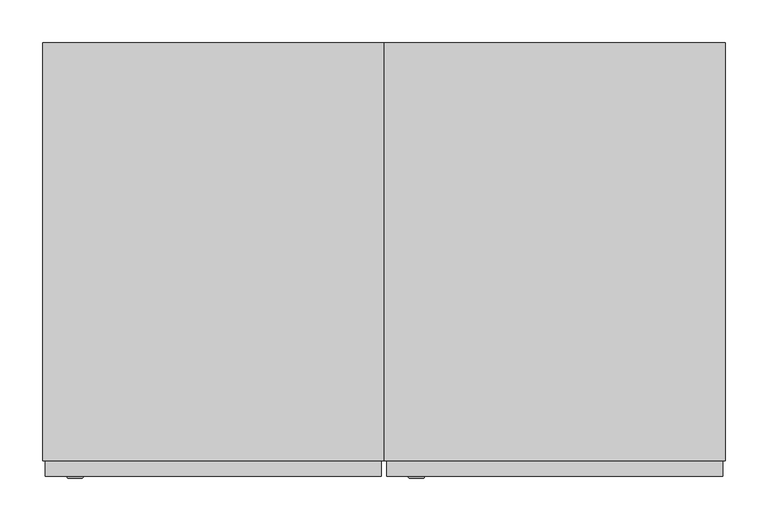
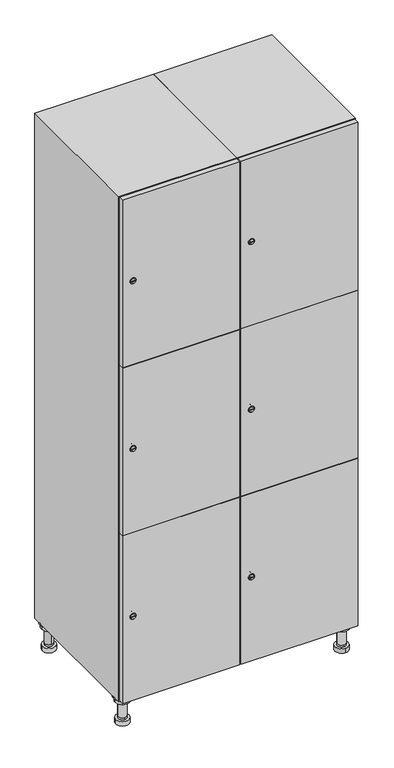
"""IFC4 building model written with IfcOpenShell, lengths in millimetres: furniture geometry."""

from ifc_helpers import new_model, si_unit, point, frame, frame_2d, origin, place, context, project, spatial, polyline, circle_curve, trimmed, segment, composite_curve, outline, extrude, faceted_brep, source, transform, mapped, element, save
from ifc_brep_helpers import plane_surface, cylinder_surface, revolved_surface, advanced_brep


def furniture_b4011efb(model_context):
    return source(origin(), model_context, "Body", "SolidModel", [
        advanced_brep(
        [(570.0, -201.0, 22.0), (570.0, -201.5, 16.0), (570.0, -228.5, 16.0), (570.0, -229.0, 22.0), (556.0, -215.0, 22.0), (584.0, -215.0, 22.0), (570.0, -192.5, 16.0), (570.0, -237.5, 16.0), (570.0, -192.5, 0.0), (570.0, -237.5, 0.0), (584.0, -215.0, 78.0), (556.0, -215.0, 78.0), (595.0, -215.0, 78.0), (545.0, -215.0, 78.0), (600.0, -215.0, 94.0), (540.0, -215.0, 94.0), (545.0, -215.0, 94.0), (595.0, -215.0, 94.0), (600.0, -215.0, 100.0), (540.0, -215.0, 100.0)],
        [
            (0, 1),
            (1, 2, circle_curve(frame((570.0, -215.0, 16.0), z_axis=(0.0, 0.0, 1.0), x_axis=(0.0, -1.0, 0.0)), 13.5)),
            (2, 3),
            (3, 4, circle_curve(frame((570.0, -215.0, 22.0), z_axis=(0.0, 0.0, -1.0), x_axis=(0.0, -1.0, 0.0)), 14.0)),
            (4, 0, circle_curve(frame((570.0, -215.0, 22.0), z_axis=(0.0, 0.0, -1.0), x_axis=(0.0, -1.0, 0.0)), 14.0)),
            (0, 5, circle_curve(frame((570.0, -215.0, 22.0), z_axis=(0.0, 0.0, -1.0), x_axis=(0.0, 1.0, 0.0)), 14.0)),
            (5, 3, circle_curve(frame((570.0, -215.0, 22.0), z_axis=(0.0, 0.0, -1.0), x_axis=(0.0, 1.0, 0.0)), 14.0)),
            (2, 1, circle_curve(frame((570.0, -215.0, 16.0), z_axis=(0.0, 0.0, 1.0), x_axis=(0.0, 1.0, 0.0)), 13.5)),
            (6, 7, circle_curve(frame((570.0, -215.0, 16.0), z_axis=(0.0, 0.0, 1.0), x_axis=(0.0, -1.0, 0.0)), 22.5)),
            (7, 6, circle_curve(frame((570.0, -215.0, 16.0), z_axis=(0.0, 0.0, 1.0), x_axis=(0.0, -1.0, 0.0)), 22.5)),
            (8, 9, circle_curve(frame((570.0, -215.0, 0.0), z_axis=(0.0, 0.0, -1.0), x_axis=(0.0, -1.0, 0.0)), 22.5)),
            (9, 8, circle_curve(frame((570.0, -215.0, 0.0), z_axis=(0.0, 0.0, -1.0), x_axis=(0.0, -1.0, 0.0)), 22.5)),
            (6, 8),
            (9, 7),
            (5, 10),
            (10, 11, circle_curve(frame((570.0, -215.0, 78.0), z_axis=(0.0, 0.0, -1.0), x_axis=(-1.0, 0.0, 0.0)), 14.0)),
            (11, 4),
            (11, 10, circle_curve(frame((570.0, -215.0, 78.0), z_axis=(0.0, 0.0, -1.0), x_axis=(-1.0, 0.0, 0.0)), 14.0)),
            (12, 13, circle_curve(frame((570.0, -215.0, 78.0), z_axis=(0.0, 0.0, -1.0), x_axis=(-1.0, 0.0, 0.0)), 25.0)),
            (13, 12, circle_curve(frame((570.0, -215.0, 78.0), z_axis=(0.0, 0.0, -1.0), x_axis=(-1.0, 0.0, 0.0)), 25.0)),
            (14, 15, circle_curve(frame((570.0, -215.0, 94.0), z_axis=(0.0, 0.0, -1.0), x_axis=(-1.0, 0.0, 0.0)), 30.0)),
            (15, 14, circle_curve(frame((570.0, -215.0, 94.0), z_axis=(0.0, 0.0, -1.0), x_axis=(-1.0, 0.0, 0.0)), 30.0)),
            (16, 17, circle_curve(frame((570.0, -215.0, 94.0), z_axis=(0.0, 0.0, 1.0), x_axis=(-1.0, 0.0, 0.0)), 25.0)),
            (17, 16, circle_curve(frame((570.0, -215.0, 94.0), z_axis=(0.0, 0.0, 1.0), x_axis=(-1.0, 0.0, 0.0)), 25.0)),
            (18, 19, circle_curve(frame((570.0, -215.0, 100.0), z_axis=(0.0, 0.0, 1.0), x_axis=(-1.0, 0.0, 0.0)), 30.0)),
            (19, 18, circle_curve(frame((570.0, -215.0, 100.0), z_axis=(0.0, 0.0, 1.0), x_axis=(-1.0, 0.0, 0.0)), 30.0)),
            (14, 18),
            (19, 15),
            (12, 17),
            (16, 13),
        ],
        [
            revolved_surface(polyline([(570.0, -201.5, 16.0), (570.0, -201.0, 22.0)]), (570.0, -215.0, -146.0), (0.0, 0.0, 1.0)),
            plane_surface(frame((570.0, 0.0, 16.0), z_axis=(0.0, 0.0, 1.0), x_axis=(0.0, -1.0, 0.0))),
            plane_surface(frame((570.0, 0.0, 0.0), z_axis=(0.0, 0.0, -1.0), x_axis=(0.0, -1.0, 0.0))),
            cylinder_surface(frame((570.0, -215.0, 16.0), z_axis=(0.0, 0.0, 1.0), x_axis=(0.0, -1.0, 0.0)), 22.5),
            cylinder_surface(frame((570.0, -215.0, 22.0), z_axis=(0.0, 0.0, -1.0), x_axis=(-1.0, 0.0, 0.0)), 14.0),
            plane_surface(frame((570.0, 0.0, 78.0), z_axis=(0.0, 0.0, -1.0), x_axis=(0.0, -1.0, 0.0))),
            plane_surface(frame((570.0, 0.0, 94.0), z_axis=(0.0, 0.0, -1.0), x_axis=(0.0, -1.0, 0.0))),
            plane_surface(frame((570.0, 0.0, 100.0), z_axis=(0.0, 0.0, 1.0), x_axis=(0.0, -1.0, 0.0))),
            cylinder_surface(frame((570.0, -215.0, 94.0), z_axis=(0.0, 0.0, -1.0), x_axis=(-1.0, 0.0, 0.0)), 30.0),
            cylinder_surface(frame((570.0, -215.0, 78.0), z_axis=(0.0, 0.0, -1.0), x_axis=(-1.0, 0.0, 0.0)), 25.0),
        ],
        [
            (0, [[1, 2, 3, 4, 5]]),
            (0, [[-1, 6, 7, -3, 8]]),
            (1, [[9, 10], [-2, -8]]),
            (2, [[11, 12]]),
            (3, [[-9, 13, -12, 14]]),
            (3, [[-10, -14, -11, -13]]),
            (4, [[15, 16, 17, -4, -7]]),
            (4, [[-15, -6, -5, -17, 18]]),
            (5, [[19, 20], [-16, -18]]),
            (6, [[21, 22], [23, 24]]),
            (7, [[25, 26]]),
            (8, [[-21, 27, -26, 28]]),
            (8, [[-22, -28, -25, -27]]),
            (9, [[-19, 29, -23, 30]]),
            (9, [[-20, -30, -24, -29]]),
        ],
    ),
        advanced_brep(
        [(-170.0, -201.0, 22.0), (-170.0, -201.5, 16.0), (-170.0, -228.5, 16.0), (-170.0, -229.0, 22.0), (-184.0, -215.0, 22.0), (-156.0, -215.0, 22.0), (-147.5, -215.0, 0.0), (-192.5, -215.0, 0.0), (-147.5, -215.0, 16.0), (-192.5, -215.0, 16.0), (-156.0, -215.0, 78.0), (-184.0, -215.0, 78.0), (-145.0, -215.0, 78.0), (-195.0, -215.0, 78.0), (-140.0, -215.0, 94.0), (-200.0, -215.0, 94.0), (-195.0, -215.0, 94.0), (-145.0, -215.0, 94.0), (-140.0, -215.0, 100.0), (-200.0, -215.0, 100.0)],
        [
            (0, 1),
            (1, 2, circle_curve(frame((-170.0, -215.0, 16.0), z_axis=(0.0, 0.0, 1.0), x_axis=(0.0, -1.0, 0.0)), 13.5)),
            (2, 3),
            (3, 4, circle_curve(frame((-170.0, -215.0, 22.0), z_axis=(0.0, 0.0, -1.0), x_axis=(0.0, -1.0, 0.0)), 14.0)),
            (4, 0, circle_curve(frame((-170.0, -215.0, 22.0), z_axis=(0.0, 0.0, -1.0), x_axis=(0.0, -1.0, 0.0)), 14.0)),
            (0, 5, circle_curve(frame((-170.0, -215.0, 22.0), z_axis=(0.0, 0.0, -1.0), x_axis=(0.0, 1.0, 0.0)), 14.0)),
            (5, 3, circle_curve(frame((-170.0, -215.0, 22.0), z_axis=(0.0, 0.0, -1.0), x_axis=(0.0, 1.0, 0.0)), 14.0)),
            (2, 1, circle_curve(frame((-170.0, -215.0, 16.0), z_axis=(0.0, 0.0, 1.0), x_axis=(0.0, 1.0, 0.0)), 13.5)),
            (6, 7, circle_curve(frame((-170.0, -215.0, 0.0), z_axis=(0.0, 0.0, -1.0), x_axis=(-1.0, 0.0, 0.0)), 22.5)),
            (7, 6, circle_curve(frame((-170.0, -215.0, 0.0), z_axis=(0.0, 0.0, -1.0), x_axis=(-1.0, 0.0, 0.0)), 22.5)),
            (8, 9, circle_curve(frame((-170.0, -215.0, 16.0), z_axis=(0.0, 0.0, 1.0), x_axis=(-1.0, 0.0, 0.0)), 22.5)),
            (9, 8, circle_curve(frame((-170.0, -215.0, 16.0), z_axis=(0.0, 0.0, 1.0), x_axis=(-1.0, 0.0, 0.0)), 22.5)),
            (6, 8),
            (9, 7),
            (5, 10),
            (10, 11, circle_curve(frame((-170.0, -215.0, 78.0), z_axis=(0.0, 0.0, -1.0), x_axis=(-1.0, 0.0, 0.0)), 14.0)),
            (11, 4),
            (11, 10, circle_curve(frame((-170.0, -215.0, 78.0), z_axis=(0.0, 0.0, -1.0), x_axis=(-1.0, 0.0, 0.0)), 14.0)),
            (12, 13, circle_curve(frame((-170.0, -215.0, 78.0), z_axis=(0.0, 0.0, -1.0), x_axis=(-1.0, 0.0, 0.0)), 25.0)),
            (13, 12, circle_curve(frame((-170.0, -215.0, 78.0), z_axis=(0.0, 0.0, -1.0), x_axis=(-1.0, 0.0, 0.0)), 25.0)),
            (14, 15, circle_curve(frame((-170.0, -215.0, 94.0), z_axis=(0.0, 0.0, -1.0), x_axis=(-1.0, 0.0, 0.0)), 30.0)),
            (15, 14, circle_curve(frame((-170.0, -215.0, 94.0), z_axis=(0.0, 0.0, -1.0), x_axis=(-1.0, 0.0, 0.0)), 30.0)),
            (16, 17, circle_curve(frame((-170.0, -215.0, 94.0), z_axis=(0.0, 0.0, 1.0), x_axis=(-1.0, 0.0, 0.0)), 25.0)),
            (17, 16, circle_curve(frame((-170.0, -215.0, 94.0), z_axis=(0.0, 0.0, 1.0), x_axis=(-1.0, 0.0, 0.0)), 25.0)),
            (18, 19, circle_curve(frame((-170.0, -215.0, 100.0), z_axis=(0.0, 0.0, 1.0), x_axis=(-1.0, 0.0, 0.0)), 30.0)),
            (19, 18, circle_curve(frame((-170.0, -215.0, 100.0), z_axis=(0.0, 0.0, 1.0), x_axis=(-1.0, 0.0, 0.0)), 30.0)),
            (14, 18),
            (19, 15),
            (12, 17),
            (16, 13),
        ],
        [
            revolved_surface(polyline([(-170.0, -201.5, 16.0), (-170.0, -201.0, 22.0)]), (-170.0, -215.0, -146.0), (0.0, 0.0, 1.0)),
            plane_surface(frame((-170.0, 0.0, 0.0), z_axis=(0.0, 0.0, -1.0), x_axis=(0.0, -1.0, 0.0))),
            plane_surface(frame((-170.0, 0.0, 16.0), z_axis=(0.0, 0.0, 1.0), x_axis=(0.0, -1.0, 0.0))),
            cylinder_surface(frame((-170.0, -215.0, 0.0), z_axis=(0.0, 0.0, -1.0), x_axis=(-1.0, 0.0, 0.0)), 22.5),
            cylinder_surface(frame((-170.0, -215.0, 22.0), z_axis=(0.0, 0.0, -1.0), x_axis=(-1.0, 0.0, 0.0)), 14.0),
            plane_surface(frame((-170.0, 0.0, 78.0), z_axis=(0.0, 0.0, -1.0), x_axis=(0.0, -1.0, 0.0))),
            plane_surface(frame((-170.0, 0.0, 94.0), z_axis=(0.0, 0.0, -1.0), x_axis=(0.0, -1.0, 0.0))),
            plane_surface(frame((-170.0, 0.0, 100.0), z_axis=(0.0, 0.0, 1.0), x_axis=(0.0, -1.0, 0.0))),
            cylinder_surface(frame((-170.0, -215.0, 94.0), z_axis=(0.0, 0.0, -1.0), x_axis=(-1.0, 0.0, 0.0)), 30.0),
            cylinder_surface(frame((-170.0, -215.0, 78.0), z_axis=(0.0, 0.0, -1.0), x_axis=(-1.0, 0.0, 0.0)), 25.0),
        ],
        [
            (0, [[1, 2, 3, 4, 5]]),
            (0, [[-1, 6, 7, -3, 8]]),
            (1, [[9, 10]]),
            (2, [[11, 12], [-2, -8]]),
            (3, [[-9, 13, -12, 14]]),
            (3, [[-10, -14, -11, -13]]),
            (4, [[15, 16, 17, -4, -7]]),
            (4, [[-15, -6, -5, -17, 18]]),
            (5, [[19, 20], [-16, -18]]),
            (6, [[21, 22], [23, 24]]),
            (7, [[25, 26]]),
            (8, [[-21, 27, -26, 28]]),
            (8, [[-22, -28, -25, -27]]),
            (9, [[-19, 29, -23, 30]]),
            (9, [[-20, -30, -24, -29]]),
        ],
    ),
        advanced_brep(
        [(583.5, 215.0, 16.0), (584.0, 215.0, 22.0), (556.0, 215.0, 22.0), (556.5, 215.0, 16.0), (592.5, 215.0, 0.0), (547.5, 215.0, 0.0), (592.5, 215.0, 16.0), (547.5, 215.0, 16.0), (584.0, 215.0, 78.0), (556.0, 215.0, 78.0), (595.0, 215.0, 78.0), (545.0, 215.0, 78.0), (600.0, 215.0, 94.0), (540.0, 215.0, 94.0), (545.0, 215.0, 94.0), (595.0, 215.0, 94.0), (600.0, 215.0, 100.0), (540.0, 215.0, 100.0)],
        [
            (0, 1),
            (1, 2, circle_curve(frame((570.0, 215.0, 22.0), z_axis=(0.0, 0.0, -1.0), x_axis=(-1.0, 0.0, 0.0)), 14.0)),
            (2, 3),
            (3, 0, circle_curve(frame((570.0, 215.0, 16.0), z_axis=(0.0, 0.0, 1.0), x_axis=(-1.0, 0.0, 0.0)), 13.5)),
            (0, 3, circle_curve(frame((570.0, 215.0, 16.0), z_axis=(0.0, 0.0, 1.0), x_axis=(1.0, 0.0, 0.0)), 13.5)),
            (2, 1, circle_curve(frame((570.0, 215.0, 22.0), z_axis=(0.0, 0.0, -1.0), x_axis=(1.0, 0.0, 0.0)), 14.0)),
            (4, 5, circle_curve(frame((570.0, 215.0, 0.0), z_axis=(0.0, 0.0, -1.0), x_axis=(-1.0, 0.0, 0.0)), 22.5)),
            (5, 4, circle_curve(frame((570.0, 215.0, 0.0), z_axis=(0.0, 0.0, -1.0), x_axis=(-1.0, 0.0, 0.0)), 22.5)),
            (6, 7, circle_curve(frame((570.0, 215.0, 16.0), z_axis=(0.0, 0.0, 1.0), x_axis=(-1.0, 0.0, 0.0)), 22.5)),
            (7, 6, circle_curve(frame((570.0, 215.0, 16.0), z_axis=(0.0, 0.0, 1.0), x_axis=(-1.0, 0.0, 0.0)), 22.5)),
            (4, 6),
            (7, 5),
            (1, 8),
            (8, 9, circle_curve(frame((570.0, 215.0, 78.0), z_axis=(0.0, 0.0, -1.0), x_axis=(-1.0, 0.0, 0.0)), 14.0)),
            (9, 2),
            (9, 8, circle_curve(frame((570.0, 215.0, 78.0), z_axis=(0.0, 0.0, -1.0), x_axis=(-1.0, 0.0, 0.0)), 14.0)),
            (10, 11, circle_curve(frame((570.0, 215.0, 78.0), z_axis=(0.0, 0.0, -1.0), x_axis=(-1.0, 0.0, 0.0)), 25.0)),
            (11, 10, circle_curve(frame((570.0, 215.0, 78.0), z_axis=(0.0, 0.0, -1.0), x_axis=(-1.0, 0.0, 0.0)), 25.0)),
            (12, 13, circle_curve(frame((570.0, 215.0, 94.0), z_axis=(0.0, 0.0, -1.0), x_axis=(-1.0, 0.0, 0.0)), 30.0)),
            (13, 12, circle_curve(frame((570.0, 215.0, 94.0), z_axis=(0.0, 0.0, -1.0), x_axis=(-1.0, 0.0, 0.0)), 30.0)),
            (14, 15, circle_curve(frame((570.0, 215.0, 94.0), z_axis=(0.0, 0.0, 1.0), x_axis=(-1.0, 0.0, 0.0)), 25.0)),
            (15, 14, circle_curve(frame((570.0, 215.0, 94.0), z_axis=(0.0, 0.0, 1.0), x_axis=(-1.0, 0.0, 0.0)), 25.0)),
            (16, 17, circle_curve(frame((570.0, 215.0, 100.0), z_axis=(0.0, 0.0, 1.0), x_axis=(-1.0, 0.0, 0.0)), 30.0)),
            (17, 16, circle_curve(frame((570.0, 215.0, 100.0), z_axis=(0.0, 0.0, 1.0), x_axis=(-1.0, 0.0, 0.0)), 30.0)),
            (12, 16),
            (17, 13),
            (10, 15),
            (14, 11),
        ],
        [
            revolved_surface(polyline([(583.5, 215.0, 16.0), (584.0, 215.0, 22.0)]), (570.0, 215.0, -146.0), (0.0, 0.0, 1.0)),
            plane_surface(frame((570.0, 0.0, 0.0), z_axis=(0.0, 0.0, -1.0), x_axis=(0.0, -1.0, 0.0))),
            plane_surface(frame((570.0, 0.0, 16.0), z_axis=(0.0, 0.0, 1.0), x_axis=(0.0, -1.0, 0.0))),
            cylinder_surface(frame((570.0, 215.0, 0.0), z_axis=(0.0, 0.0, -1.0), x_axis=(-1.0, 0.0, 0.0)), 22.5),
            cylinder_surface(frame((570.0, 215.0, 22.0), z_axis=(0.0, 0.0, -1.0), x_axis=(-1.0, 0.0, 0.0)), 14.0),
            plane_surface(frame((570.0, 0.0, 78.0), z_axis=(0.0, 0.0, -1.0), x_axis=(0.0, -1.0, 0.0))),
            plane_surface(frame((570.0, 0.0, 94.0), z_axis=(0.0, 0.0, -1.0), x_axis=(0.0, -1.0, 0.0))),
            plane_surface(frame((570.0, 0.0, 100.0), z_axis=(0.0, 0.0, 1.0), x_axis=(0.0, -1.0, 0.0))),
            cylinder_surface(frame((570.0, 215.0, 94.0), z_axis=(0.0, 0.0, -1.0), x_axis=(-1.0, 0.0, 0.0)), 30.0),
            cylinder_surface(frame((570.0, 215.0, 78.0), z_axis=(0.0, 0.0, -1.0), x_axis=(-1.0, 0.0, 0.0)), 25.0),
        ],
        [
            (0, [[1, 2, 3, 4]]),
            (0, [[-1, 5, -3, 6]]),
            (1, [[7, 8]]),
            (2, [[9, 10], [-4, -5]]),
            (3, [[-7, 11, -10, 12]]),
            (3, [[-8, -12, -9, -11]]),
            (4, [[13, 14, 15, -2]]),
            (4, [[-13, -6, -15, 16]]),
            (5, [[17, 18], [-14, -16]]),
            (6, [[19, 20], [21, 22]]),
            (7, [[23, 24]]),
            (8, [[-19, 25, -24, 26]]),
            (8, [[-20, -26, -23, -25]]),
            (9, [[-17, 27, -21, 28]]),
            (9, [[-18, -28, -22, -27]]),
        ],
    ),
        advanced_brep(
        [(-156.5, 215.0, 16.0), (-156.0, 215.0, 22.0), (-170.0, 201.0, 22.0), (-184.0, 215.0, 22.0), (-183.5, 215.0, 16.0), (-170.0, 229.0, 22.0), (-147.5, 215.0, 0.0), (-192.5, 215.0, 0.0), (-147.5, 215.0, 16.0), (-192.5, 215.0, 16.0), (-170.0, 229.0, 78.0), (-170.0, 201.0, 78.0), (-145.0, 215.0, 78.0), (-195.0, 215.0, 78.0), (-140.0, 215.0, 94.0), (-200.0, 215.0, 94.0), (-195.0, 215.0, 94.0), (-145.0, 215.0, 94.0), (-140.0, 215.0, 100.0), (-200.0, 215.0, 100.0)],
        [
            (0, 1),
            (1, 2, circle_curve(frame((-170.0, 215.0, 22.0), z_axis=(0.0, 0.0, -1.0), x_axis=(-1.0, 0.0, 0.0)), 14.0)),
            (2, 3, circle_curve(frame((-170.0, 215.0, 22.0), z_axis=(0.0, 0.0, -1.0), x_axis=(-1.0, 0.0, 0.0)), 14.0)),
            (3, 4),
            (4, 0, circle_curve(frame((-170.0, 215.0, 16.0), z_axis=(0.0, 0.0, 1.0), x_axis=(-1.0, 0.0, 0.0)), 13.5)),
            (0, 4, circle_curve(frame((-170.0, 215.0, 16.0), z_axis=(0.0, 0.0, 1.0), x_axis=(1.0, 0.0, 0.0)), 13.5)),
            (3, 5, circle_curve(frame((-170.0, 215.0, 22.0), z_axis=(0.0, 0.0, -1.0), x_axis=(1.0, 0.0, 0.0)), 14.0)),
            (5, 1, circle_curve(frame((-170.0, 215.0, 22.0), z_axis=(0.0, 0.0, -1.0), x_axis=(1.0, 0.0, 0.0)), 14.0)),
            (6, 7, circle_curve(frame((-170.0, 215.0, 0.0), z_axis=(0.0, 0.0, -1.0), x_axis=(-1.0, 0.0, 0.0)), 22.5)),
            (7, 6, circle_curve(frame((-170.0, 215.0, 0.0), z_axis=(0.0, 0.0, -1.0), x_axis=(-1.0, 0.0, 0.0)), 22.5)),
            (8, 9, circle_curve(frame((-170.0, 215.0, 16.0), z_axis=(0.0, 0.0, 1.0), x_axis=(-1.0, 0.0, 0.0)), 22.5)),
            (9, 8, circle_curve(frame((-170.0, 215.0, 16.0), z_axis=(0.0, 0.0, 1.0), x_axis=(-1.0, 0.0, 0.0)), 22.5)),
            (6, 8),
            (9, 7),
            (10, 5),
            (2, 11),
            (11, 10, circle_curve(frame((-170.0, 215.0, 78.0), z_axis=(0.0, 0.0, -1.0), x_axis=(0.0, -1.0, 0.0)), 14.0)),
            (10, 11, circle_curve(frame((-170.0, 215.0, 78.0), z_axis=(0.0, 0.0, -1.0), x_axis=(0.0, -1.0, 0.0)), 14.0)),
            (12, 13, circle_curve(frame((-170.0, 215.0, 78.0), z_axis=(0.0, 0.0, -1.0), x_axis=(-1.0, 0.0, 0.0)), 25.0)),
            (13, 12, circle_curve(frame((-170.0, 215.0, 78.0), z_axis=(0.0, 0.0, -1.0), x_axis=(-1.0, 0.0, 0.0)), 25.0)),
            (14, 15, circle_curve(frame((-170.0, 215.0, 94.0), z_axis=(0.0, 0.0, -1.0), x_axis=(-1.0, 0.0, 0.0)), 30.0)),
            (15, 14, circle_curve(frame((-170.0, 215.0, 94.0), z_axis=(0.0, 0.0, -1.0), x_axis=(-1.0, 0.0, 0.0)), 30.0)),
            (16, 17, circle_curve(frame((-170.0, 215.0, 94.0), z_axis=(0.0, 0.0, 1.0), x_axis=(-1.0, 0.0, 0.0)), 25.0)),
            (17, 16, circle_curve(frame((-170.0, 215.0, 94.0), z_axis=(0.0, 0.0, 1.0), x_axis=(-1.0, 0.0, 0.0)), 25.0)),
            (18, 19, circle_curve(frame((-170.0, 215.0, 100.0), z_axis=(0.0, 0.0, 1.0), x_axis=(-1.0, 0.0, 0.0)), 30.0)),
            (19, 18, circle_curve(frame((-170.0, 215.0, 100.0), z_axis=(0.0, 0.0, 1.0), x_axis=(-1.0, 0.0, 0.0)), 30.0)),
            (14, 18),
            (19, 15),
            (12, 17),
            (16, 13),
        ],
        [
            revolved_surface(polyline([(-156.5, 215.0, 16.0), (-156.0, 215.0, 22.0)]), (-170.0, 215.0, -146.0), (0.0, 0.0, 1.0)),
            plane_surface(frame((-170.0, 0.0, 0.0), z_axis=(0.0, 0.0, -1.0), x_axis=(0.0, -1.0, 0.0))),
            plane_surface(frame((-170.0, 0.0, 16.0), z_axis=(0.0, 0.0, 1.0), x_axis=(0.0, -1.0, 0.0))),
            cylinder_surface(frame((-170.0, 215.0, 0.0), z_axis=(0.0, 0.0, -1.0), x_axis=(-1.0, 0.0, 0.0)), 22.5),
            cylinder_surface(frame((-170.0, 215.0, 78.0), z_axis=(0.0, 0.0, 1.0), x_axis=(0.0, -1.0, 0.0)), 14.0),
            plane_surface(frame((-170.0, 0.0, 78.0), z_axis=(0.0, 0.0, -1.0), x_axis=(0.0, -1.0, 0.0))),
            plane_surface(frame((-170.0, 0.0, 94.0), z_axis=(0.0, 0.0, -1.0), x_axis=(0.0, -1.0, 0.0))),
            plane_surface(frame((-170.0, 0.0, 100.0), z_axis=(0.0, 0.0, 1.0), x_axis=(0.0, -1.0, 0.0))),
            cylinder_surface(frame((-170.0, 215.0, 94.0), z_axis=(0.0, 0.0, -1.0), x_axis=(-1.0, 0.0, 0.0)), 30.0),
            cylinder_surface(frame((-170.0, 215.0, 78.0), z_axis=(0.0, 0.0, -1.0), x_axis=(-1.0, 0.0, 0.0)), 25.0),
        ],
        [
            (0, [[1, 2, 3, 4, 5]]),
            (0, [[-1, 6, -4, 7, 8]]),
            (1, [[9, 10]]),
            (2, [[11, 12], [-5, -6]]),
            (3, [[-9, 13, -12, 14]]),
            (3, [[-10, -14, -11, -13]]),
            (4, [[15, -7, -3, 16, 17]]),
            (4, [[-15, 18, -16, -2, -8]]),
            (5, [[19, 20], [-17, -18]]),
            (6, [[21, 22], [23, 24]]),
            (7, [[25, 26]]),
            (8, [[-21, 27, -26, 28]]),
            (8, [[-22, -28, -25, -27]]),
            (9, [[-19, 29, -23, 30]]),
            (9, [[-20, -30, -24, -29]]),
        ],
    ),
        extrude(outline(composite_curve([segment(trimmed(circle_curve(frame_2d((402.0, 211.2010534)), 7.0), [point((409.0, 211.2010534))], [point((395.0, 211.2010534))], False, "CARTESIAN"), True, "CONTINUOUS"), segment(polyline([(395.0, 211.2010534), (395.0, 239.2010534)]), True, "CONTINUOUS"), segment(trimmed(circle_curve(frame_2d((402.0, 239.2010534)), 7.0), [point((395.0, 239.2010534))], [point((409.0, 239.2010534))], False, "CARTESIAN"), True, "CONTINUOUS"), segment(polyline([(409.0, 239.2010534), (409.0, 211.2010534)]), True, "CONTINUOUS")], self_intersect=False)), frame((0.0, -245.0, 0.0), z_axis=(0.0, 1.0, 0.0), x_axis=(0.0, 0.0, 1.0)), (0.0, 0.0, 1.0), 2.0),
        advanced_brep(
        [(246.5, -265.2, 402.0), (229.5, -265.2, 402.0), (233.0, -265.2, 400.75), (233.0, -265.2, 403.25), (243.0, -265.2, 403.25), (243.0, -265.2, 400.75), (248.5, -263.0, 402.0), (227.5, -263.0, 402.0), (233.0, -263.0, 403.25), (233.0, -263.0, 400.75), (243.0, -263.0, 400.75), (243.0, -263.0, 403.25)],
        [
            (0, 1, circle_curve(frame((238.0, -265.2, 402.0), z_axis=(0.0, -1.0, 0.0), x_axis=(1.0, 0.0, 0.0)), 8.5)),
            (1, 0, circle_curve(frame((238.0, -265.2, 402.0), z_axis=(0.0, -1.0, 0.0), x_axis=(-1.0, 0.0, 0.0)), 8.5)),
            (2, 3),
            (3, 4),
            (4, 5),
            (5, 2),
            (6, 7, circle_curve(frame((238.0, -263.0, 402.0), z_axis=(0.0, 1.0, 0.0), x_axis=(-1.0, 0.0, 0.0)), 10.5)),
            (7, 6, circle_curve(frame((238.0, -263.0, 402.0), z_axis=(0.0, 1.0, 0.0), x_axis=(1.0, 0.0, 0.0)), 10.5)),
            (8, 9),
            (9, 10),
            (10, 11),
            (11, 8),
            (0, 6),
            (7, 1),
            (8, 3),
            (2, 9),
            (11, 4),
            (10, 5),
        ],
        [
            plane_surface(frame((238.0, -265.2, 402.0), z_axis=(0.0, -1.0, 0.0), x_axis=(0.0, 0.0, 1.0))),
            plane_surface(frame((238.0, -263.0, 402.0), z_axis=(0.0, 1.0, 0.0), x_axis=(0.0, 0.0, 1.0))),
            revolved_surface(polyline([(246.5, -265.2, 402.0), (248.5, -263.0, 402.0)]), (238.0, -274.55, 402.0), (0.0, 1.0, 0.0)),
            revolved_surface(polyline([(229.5, -265.2, 402.0), (227.5, -263.0, 402.0)]), (238.0, -274.55, 402.0), (0.0, 1.0, 0.0)),
            plane_surface(frame((233.0, -263.0, 400.75), z_axis=(1.0, 0.0, 0.0), x_axis=(0.0, -1.0, 0.0))),
            plane_surface(frame((233.0, -263.0, 403.25), z_axis=(0.0, 0.0, -1.0), x_axis=(0.0, -1.0, 0.0))),
            plane_surface(frame((243.0, -263.0, 403.25), z_axis=(-1.0, 0.0, 0.0), x_axis=(0.0, -1.0, 0.0))),
            plane_surface(frame((243.0, -263.0, 400.75), z_axis=(0.0, 0.0, 1.0), x_axis=(0.0, -1.0, 0.0))),
        ],
        [
            (0, [[1, 2], [3, 4, 5, 6]]),
            (1, [[7, 8], [9, 10, 11, 12]]),
            (2, [[-1, 13, -8, 14]]),
            (3, [[-2, -14, -7, -13]]),
            (4, [[15, -3, 16, -9]]),
            (5, [[-15, -12, 17, -4]]),
            (6, [[-17, -11, 18, -5]]),
            (7, [[-16, -6, -18, -10]]),
        ],
    ),
        extrude(outline(composite_curve([segment(trimmed(circle_curve(frame_2d((1000.0, 211.2010534)), 7.0), [point((1007.0, 211.2010534))], [point((993.0, 211.2010534))], False, "CARTESIAN"), True, "CONTINUOUS"), segment(polyline([(993.0, 211.2010534), (993.0, 239.2010534)]), True, "CONTINUOUS"), segment(trimmed(circle_curve(frame_2d((1000.0, 239.2010534)), 7.0), [point((993.0, 239.2010534))], [point((1007.0, 239.2010534))], False, "CARTESIAN"), True, "CONTINUOUS"), segment(polyline([(1007.0, 239.2010534), (1007.0, 211.2010534)]), True, "CONTINUOUS")], self_intersect=False)), frame((0.0, -245.0, 0.0), z_axis=(0.0, 1.0, 0.0), x_axis=(0.0, 0.0, 1.0)), (0.0, 0.0, 1.0), 2.0),
        advanced_brep(
        [(246.5, -265.2, 1000.0), (229.5, -265.2, 1000.0), (233.0, -265.2, 998.75), (233.0, -265.2, 1001.25), (243.0, -265.2, 1001.25), (243.0, -265.2, 998.75), (248.5, -263.0, 1000.0), (227.5, -263.0, 1000.0), (233.0, -263.0, 1001.25), (233.0, -263.0, 998.75), (243.0, -263.0, 998.75), (243.0, -263.0, 1001.25)],
        [
            (0, 1, circle_curve(frame((238.0, -265.2, 1000.0), z_axis=(0.0, -1.0, 0.0), x_axis=(1.0, 0.0, 0.0)), 8.5)),
            (1, 0, circle_curve(frame((238.0, -265.2, 1000.0), z_axis=(0.0, -1.0, 0.0), x_axis=(-1.0, 0.0, 0.0)), 8.5)),
            (2, 3),
            (3, 4),
            (4, 5),
            (5, 2),
            (6, 7, circle_curve(frame((238.0, -263.0, 1000.0), z_axis=(0.0, 1.0, 0.0), x_axis=(-1.0, 0.0, 0.0)), 10.5)),
            (7, 6, circle_curve(frame((238.0, -263.0, 1000.0), z_axis=(0.0, 1.0, 0.0), x_axis=(1.0, 0.0, 0.0)), 10.5)),
            (8, 9),
            (9, 10),
            (10, 11),
            (11, 8),
            (0, 6),
            (7, 1),
            (8, 3),
            (2, 9),
            (11, 4),
            (10, 5),
        ],
        [
            plane_surface(frame((238.0, -265.2, 1000.0), z_axis=(0.0, -1.0, 0.0), x_axis=(0.0, 0.0, 1.0))),
            plane_surface(frame((238.0, -263.0, 1000.0), z_axis=(0.0, 1.0, 0.0), x_axis=(0.0, 0.0, 1.0))),
            revolved_surface(polyline([(246.5, -265.2, 1000.0), (248.5, -263.0, 1000.0)]), (238.0, -274.55, 1000.0), (0.0, 1.0, 0.0)),
            revolved_surface(polyline([(229.5, -265.2, 1000.0), (227.5, -263.0, 1000.0)]), (238.0, -274.55, 1000.0), (0.0, 1.0, 0.0)),
            plane_surface(frame((233.0, -263.0, 998.75), z_axis=(1.0, 0.0, 0.0), x_axis=(0.0, -1.0, 0.0))),
            plane_surface(frame((233.0, -263.0, 1001.25), z_axis=(0.0, 0.0, -1.0), x_axis=(0.0, -1.0, 0.0))),
            plane_surface(frame((243.0, -263.0, 1001.25), z_axis=(-1.0, 0.0, 0.0), x_axis=(0.0, -1.0, 0.0))),
            plane_surface(frame((243.0, -263.0, 998.75), z_axis=(0.0, 0.0, 1.0), x_axis=(0.0, -1.0, 0.0))),
        ],
        [
            (0, [[1, 2], [3, 4, 5, 6]]),
            (1, [[7, 8], [9, 10, 11, 12]]),
            (2, [[-1, 13, -8, 14]]),
            (3, [[-2, -14, -7, -13]]),
            (4, [[15, -3, 16, -9]]),
            (5, [[-15, -12, 17, -4]]),
            (6, [[-17, -11, 18, -5]]),
            (7, [[-16, -6, -18, -10]]),
        ],
    ),
        extrude(outline(composite_curve([segment(trimmed(circle_curve(frame_2d((1598.0, 211.2010534)), 7.0), [point((1605.0, 211.2010534))], [point((1591.0, 211.2010534))], False, "CARTESIAN"), True, "CONTINUOUS"), segment(polyline([(1591.0, 211.2010534), (1591.0, 239.2010534)]), True, "CONTINUOUS"), segment(trimmed(circle_curve(frame_2d((1598.0, 239.2010534)), 7.0), [point((1591.0, 239.2010534))], [point((1605.0, 239.2010534))], False, "CARTESIAN"), True, "CONTINUOUS"), segment(polyline([(1605.0, 239.2010534), (1605.0, 211.2010534)]), True, "CONTINUOUS")], self_intersect=False)), frame((0.0, -245.0, 0.0), z_axis=(0.0, 1.0, 0.0), x_axis=(0.0, 0.0, 1.0)), (0.0, 0.0, 1.0), 2.0),
        advanced_brep(
        [(246.5, -265.2, 1598.0), (229.5, -265.2, 1598.0), (233.0, -265.2, 1596.75), (233.0, -265.2, 1599.25), (243.0, -265.2, 1599.25), (243.0, -265.2, 1596.75), (248.5, -263.0, 1598.0), (227.5, -263.0, 1598.0), (233.0, -263.0, 1599.25), (233.0, -263.0, 1596.75), (243.0, -263.0, 1596.75), (243.0, -263.0, 1599.25)],
        [
            (0, 1, circle_curve(frame((238.0, -265.2, 1598.0), z_axis=(0.0, -1.0, 0.0), x_axis=(1.0, 0.0, 0.0)), 8.5)),
            (1, 0, circle_curve(frame((238.0, -265.2, 1598.0), z_axis=(0.0, -1.0, 0.0), x_axis=(-1.0, 0.0, 0.0)), 8.5)),
            (2, 3),
            (3, 4),
            (4, 5),
            (5, 2),
            (6, 7, circle_curve(frame((238.0, -263.0, 1598.0), z_axis=(0.0, 1.0, 0.0), x_axis=(-1.0, 0.0, 0.0)), 10.5)),
            (7, 6, circle_curve(frame((238.0, -263.0, 1598.0), z_axis=(0.0, 1.0, 0.0), x_axis=(1.0, 0.0, 0.0)), 10.5)),
            (8, 9),
            (9, 10),
            (10, 11),
            (11, 8),
            (0, 6),
            (7, 1),
            (8, 3),
            (2, 9),
            (11, 4),
            (10, 5),
        ],
        [
            plane_surface(frame((238.0, -265.2, 1598.0), z_axis=(0.0, -1.0, 0.0), x_axis=(0.0, 0.0, 1.0))),
            plane_surface(frame((238.0, -263.0, 1598.0), z_axis=(0.0, 1.0, 0.0), x_axis=(0.0, 0.0, 1.0))),
            revolved_surface(polyline([(246.5, -265.2, 1598.0), (248.5, -263.0, 1598.0)]), (238.0, -274.55, 1598.0), (0.0, 1.0, 0.0)),
            revolved_surface(polyline([(229.5, -265.2, 1598.0), (227.5, -263.0, 1598.0)]), (238.0, -274.55, 1598.0), (0.0, 1.0, 0.0)),
            plane_surface(frame((233.0, -263.0, 1596.75), z_axis=(1.0, 0.0, 0.0), x_axis=(0.0, -1.0, 0.0))),
            plane_surface(frame((233.0, -263.0, 1599.25), z_axis=(0.0, 0.0, -1.0), x_axis=(0.0, -1.0, 0.0))),
            plane_surface(frame((243.0, -263.0, 1599.25), z_axis=(-1.0, 0.0, 0.0), x_axis=(0.0, -1.0, 0.0))),
            plane_surface(frame((243.0, -263.0, 1596.75), z_axis=(0.0, 0.0, 1.0), x_axis=(0.0, -1.0, 0.0))),
        ],
        [
            (0, [[1, 2], [3, 4, 5, 6]]),
            (1, [[7, 8], [9, 10, 11, 12]]),
            (2, [[-1, 13, -8, 14]]),
            (3, [[-2, -14, -7, -13]]),
            (4, [[15, -3, 16, -9]]),
            (5, [[-15, -12, 17, -4]]),
            (6, [[-17, -11, 18, -5]]),
            (7, [[-16, -6, -18, -10]]),
        ],
    ),
        extrude(outline(polyline([(597.0, -245.0), (597.0, -263.0), (203.0, -263.0), (203.0, -245.0), (597.0, -245.0)])), frame((0.0, 0.0, 701.5), z_axis=(0.0, 0.0, 1.0), x_axis=(1.0, 0.0, 0.0)), (0.0, 0.0, 1.0), 597.0),
        extrude(outline(polyline([(203.0, -263.0), (203.0, -245.0), (597.0, -245.0), (597.0, -263.0), (203.0, -263.0)])), frame((0.0, 0.0, 1299.5), z_axis=(0.0, 0.0, 1.0), x_axis=(1.0, 0.0, 0.0)), (0.0, 0.0, 1.0), 597.5),
        extrude(outline(polyline([(597.0, -245.0), (597.0, -263.0), (203.0, -263.0), (203.0, -245.0), (597.0, -245.0)])), frame((0.0, 0.0, 103.0), z_axis=(0.0, 0.0, 1.0), x_axis=(1.0, 0.0, 0.0)), (0.0, 0.0, 1.0), 597.5),
        extrude(outline(polyline([(582.0, 227.0), (582.0, -227.0), (218.0, -227.0), (218.0, 227.0), (582.0, 227.0)])), frame((0.0, 0.0, 1285.0), z_axis=(0.0, 0.0, 1.0), x_axis=(1.0, 0.0, 0.0)), (0.0, 0.0, 1.0), 18.0),
        extrude(outline(polyline([(218.0, 227.0), (582.0, 227.0), (582.0, -227.0), (218.0, -227.0), (218.0, 227.0)])), frame((0.0, 0.0, 697.0), z_axis=(0.0, 0.0, 1.0), x_axis=(1.0, 0.0, 0.0)), (0.0, 0.0, 1.0), 18.0),
        faceted_brep([(600.0, -245.0, 100.0), (600.0, -245.0, 1900.0), (200.0, -245.0, 1900.0), (200.0, -245.0, 100.0), (582.0, -245.0, 1882.0), (582.0, -245.0, 118.0), (218.0, -245.0, 118.0), (218.0, -245.0, 1882.0), (600.0, 245.0, 100.0), (200.0, 245.0, 100.0), (600.0, 245.0, 1900.0), (200.0, 245.0, 1900.0), (582.0, 227.0, 1882.0), (582.0, 227.0, 118.0), (200.0, 245.0, 1882.0), (218.0, 227.0, 1882.0), (218.0, 227.0, 118.0)], [[[0, 1, 2, 3], [4, 5, 6, 7]], [[8, 0, 3, 9]], [[1, 0, 8, 10]], [[1, 10, 11, 2]], [[4, 12, 13, 5]], [[9, 3, 2, 11, 14]], [[10, 8, 9, 14, 11]], [[12, 15, 16, 13]], [[15, 7, 6, 16]], [[4, 7, 15, 12]], [[6, 5, 13, 16]]]),
        extrude(outline(composite_curve([segment(trimmed(circle_curve(frame_2d((402.0, -188.7989466)), 7.0), [point((409.0, -188.7989466))], [point((395.0, -188.7989466))], False, "CARTESIAN"), True, "CONTINUOUS"), segment(polyline([(395.0, -188.7989466), (395.0, -160.7989466)]), True, "CONTINUOUS"), segment(trimmed(circle_curve(frame_2d((402.0, -160.7989466)), 7.0), [point((395.0, -160.7989466))], [point((409.0, -160.7989466))], False, "CARTESIAN"), True, "CONTINUOUS"), segment(polyline([(409.0, -160.7989466), (409.0, -188.7989466)]), True, "CONTINUOUS")], self_intersect=False)), frame((0.0, -245.0, 0.0), z_axis=(0.0, 1.0, 0.0), x_axis=(0.0, 0.0, 1.0)), (0.0, 0.0, 1.0), 2.0),
        advanced_brep(
        [(-153.5, -265.2, 402.0), (-170.5, -265.2, 402.0), (-167.0, -265.2, 400.75), (-167.0, -265.2, 403.25), (-157.0, -265.2, 403.25), (-157.0, -265.2, 400.75), (-151.5, -263.0, 402.0), (-172.5, -263.0, 402.0), (-167.0, -263.0, 403.25), (-167.0, -263.0, 400.75), (-157.0, -263.0, 400.75), (-157.0, -263.0, 403.25)],
        [
            (0, 1, circle_curve(frame((-162.0, -265.2, 402.0), z_axis=(0.0, -1.0, 0.0), x_axis=(1.0, 0.0, 0.0)), 8.5)),
            (1, 0, circle_curve(frame((-162.0, -265.2, 402.0), z_axis=(0.0, -1.0, 0.0), x_axis=(-1.0, 0.0, 0.0)), 8.5)),
            (2, 3),
            (3, 4),
            (4, 5),
            (5, 2),
            (6, 7, circle_curve(frame((-162.0, -263.0, 402.0), z_axis=(0.0, 1.0, 0.0), x_axis=(-1.0, 0.0, 0.0)), 10.5)),
            (7, 6, circle_curve(frame((-162.0, -263.0, 402.0), z_axis=(0.0, 1.0, 0.0), x_axis=(1.0, 0.0, 0.0)), 10.5)),
            (8, 9),
            (9, 10),
            (10, 11),
            (11, 8),
            (0, 6),
            (7, 1),
            (8, 3),
            (2, 9),
            (11, 4),
            (10, 5),
        ],
        [
            plane_surface(frame((-162.0, -265.2, 402.0), z_axis=(0.0, -1.0, 0.0), x_axis=(0.0, 0.0, 1.0))),
            plane_surface(frame((-162.0, -263.0, 402.0), z_axis=(0.0, 1.0, 0.0), x_axis=(0.0, 0.0, 1.0))),
            revolved_surface(polyline([(-153.5, -265.2, 402.0), (-151.5, -263.0, 402.0)]), (-162.0, -274.55, 402.0), (0.0, 1.0, 0.0)),
            revolved_surface(polyline([(-170.5, -265.2, 402.0), (-172.5, -263.0, 402.0)]), (-162.0, -274.55, 402.0), (0.0, 1.0, 0.0)),
            plane_surface(frame((-167.0, -263.0, 400.75), z_axis=(1.0, 0.0, 0.0), x_axis=(0.0, -1.0, 0.0))),
            plane_surface(frame((-167.0, -263.0, 403.25), z_axis=(0.0, 0.0, -1.0), x_axis=(0.0, -1.0, 0.0))),
            plane_surface(frame((-157.0, -263.0, 403.25), z_axis=(-1.0, 0.0, 0.0), x_axis=(0.0, -1.0, 0.0))),
            plane_surface(frame((-157.0, -263.0, 400.75), z_axis=(0.0, 0.0, 1.0), x_axis=(0.0, -1.0, 0.0))),
        ],
        [
            (0, [[1, 2], [3, 4, 5, 6]]),
            (1, [[7, 8], [9, 10, 11, 12]]),
            (2, [[-1, 13, -8, 14]]),
            (3, [[-2, -14, -7, -13]]),
            (4, [[15, -3, 16, -9]]),
            (5, [[-15, -12, 17, -4]]),
            (6, [[-17, -11, 18, -5]]),
            (7, [[-16, -6, -18, -10]]),
        ],
    ),
        extrude(outline(composite_curve([segment(trimmed(circle_curve(frame_2d((1000.0, -188.7989466)), 7.0), [point((1007.0, -188.7989466))], [point((993.0, -188.7989466))], False, "CARTESIAN"), True, "CONTINUOUS"), segment(polyline([(993.0, -188.7989466), (993.0, -160.7989466)]), True, "CONTINUOUS"), segment(trimmed(circle_curve(frame_2d((1000.0, -160.7989466)), 7.0), [point((993.0, -160.7989466))], [point((1007.0, -160.7989466))], False, "CARTESIAN"), True, "CONTINUOUS"), segment(polyline([(1007.0, -160.7989466), (1007.0, -188.7989466)]), True, "CONTINUOUS")], self_intersect=False)), frame((0.0, -245.0, 0.0), z_axis=(0.0, 1.0, 0.0), x_axis=(0.0, 0.0, 1.0)), (0.0, 0.0, 1.0), 2.0),
        advanced_brep(
        [(-153.5, -265.2, 1000.0), (-170.5, -265.2, 1000.0), (-167.0, -265.2, 998.75), (-167.0, -265.2, 1001.25), (-157.0, -265.2, 1001.25), (-157.0, -265.2, 998.75), (-151.5, -263.0, 1000.0), (-172.5, -263.0, 1000.0), (-167.0, -263.0, 1001.25), (-167.0, -263.0, 998.75), (-157.0, -263.0, 998.75), (-157.0, -263.0, 1001.25)],
        [
            (0, 1, circle_curve(frame((-162.0, -265.2, 1000.0), z_axis=(0.0, -1.0, 0.0), x_axis=(1.0, 0.0, 0.0)), 8.5)),
            (1, 0, circle_curve(frame((-162.0, -265.2, 1000.0), z_axis=(0.0, -1.0, 0.0), x_axis=(-1.0, 0.0, 0.0)), 8.5)),
            (2, 3),
            (3, 4),
            (4, 5),
            (5, 2),
            (6, 7, circle_curve(frame((-162.0, -263.0, 1000.0), z_axis=(0.0, 1.0, 0.0), x_axis=(-1.0, 0.0, 0.0)), 10.5)),
            (7, 6, circle_curve(frame((-162.0, -263.0, 1000.0), z_axis=(0.0, 1.0, 0.0), x_axis=(1.0, 0.0, 0.0)), 10.5)),
            (8, 9),
            (9, 10),
            (10, 11),
            (11, 8),
            (0, 6),
            (7, 1),
            (8, 3),
            (2, 9),
            (11, 4),
            (10, 5),
        ],
        [
            plane_surface(frame((-162.0, -265.2, 1000.0), z_axis=(0.0, -1.0, 0.0), x_axis=(0.0, 0.0, 1.0))),
            plane_surface(frame((-162.0, -263.0, 1000.0), z_axis=(0.0, 1.0, 0.0), x_axis=(0.0, 0.0, 1.0))),
            revolved_surface(polyline([(-153.5, -265.2, 1000.0), (-151.5, -263.0, 1000.0)]), (-162.0, -274.55, 1000.0), (0.0, 1.0, 0.0)),
            revolved_surface(polyline([(-170.5, -265.2, 1000.0), (-172.5, -263.0, 1000.0)]), (-162.0, -274.55, 1000.0), (0.0, 1.0, 0.0)),
            plane_surface(frame((-167.0, -263.0, 998.75), z_axis=(1.0, 0.0, 0.0), x_axis=(0.0, -1.0, 0.0))),
            plane_surface(frame((-167.0, -263.0, 1001.25), z_axis=(0.0, 0.0, -1.0), x_axis=(0.0, -1.0, 0.0))),
            plane_surface(frame((-157.0, -263.0, 1001.25), z_axis=(-1.0, 0.0, 0.0), x_axis=(0.0, -1.0, 0.0))),
            plane_surface(frame((-157.0, -263.0, 998.75), z_axis=(0.0, 0.0, 1.0), x_axis=(0.0, -1.0, 0.0))),
        ],
        [
            (0, [[1, 2], [3, 4, 5, 6]]),
            (1, [[7, 8], [9, 10, 11, 12]]),
            (2, [[-1, 13, -8, 14]]),
            (3, [[-2, -14, -7, -13]]),
            (4, [[15, -3, 16, -9]]),
            (5, [[-15, -12, 17, -4]]),
            (6, [[-17, -11, 18, -5]]),
            (7, [[-16, -6, -18, -10]]),
        ],
    ),
        extrude(outline(composite_curve([segment(trimmed(circle_curve(frame_2d((1598.0, -188.7989466)), 7.0), [point((1605.0, -188.7989466))], [point((1591.0, -188.7989466))], False, "CARTESIAN"), True, "CONTINUOUS"), segment(polyline([(1591.0, -188.7989466), (1591.0, -160.7989466)]), True, "CONTINUOUS"), segment(trimmed(circle_curve(frame_2d((1598.0, -160.7989466)), 7.0), [point((1591.0, -160.7989466))], [point((1605.0, -160.7989466))], False, "CARTESIAN"), True, "CONTINUOUS"), segment(polyline([(1605.0, -160.7989466), (1605.0, -188.7989466)]), True, "CONTINUOUS")], self_intersect=False)), frame((0.0, -245.0, 0.0), z_axis=(0.0, 1.0, 0.0), x_axis=(0.0, 0.0, 1.0)), (0.0, 0.0, 1.0), 2.0),
        advanced_brep(
        [(-153.5, -265.2, 1598.0), (-170.5, -265.2, 1598.0), (-167.0, -265.2, 1596.75), (-167.0, -265.2, 1599.25), (-157.0, -265.2, 1599.25), (-157.0, -265.2, 1596.75), (-151.5, -263.0, 1598.0), (-172.5, -263.0, 1598.0), (-167.0, -263.0, 1599.25), (-167.0, -263.0, 1596.75), (-157.0, -263.0, 1596.75), (-157.0, -263.0, 1599.25)],
        [
            (0, 1, circle_curve(frame((-162.0, -265.2, 1598.0), z_axis=(0.0, -1.0, 0.0), x_axis=(1.0, 0.0, 0.0)), 8.5)),
            (1, 0, circle_curve(frame((-162.0, -265.2, 1598.0), z_axis=(0.0, -1.0, 0.0), x_axis=(-1.0, 0.0, 0.0)), 8.5)),
            (2, 3),
            (3, 4),
            (4, 5),
            (5, 2),
            (6, 7, circle_curve(frame((-162.0, -263.0, 1598.0), z_axis=(0.0, 1.0, 0.0), x_axis=(-1.0, 0.0, 0.0)), 10.5)),
            (7, 6, circle_curve(frame((-162.0, -263.0, 1598.0), z_axis=(0.0, 1.0, 0.0), x_axis=(1.0, 0.0, 0.0)), 10.5)),
            (8, 9),
            (9, 10),
            (10, 11),
            (11, 8),
            (0, 6),
            (7, 1),
            (8, 3),
            (2, 9),
            (11, 4),
            (10, 5),
        ],
        [
            plane_surface(frame((-162.0, -265.2, 1598.0), z_axis=(0.0, -1.0, 0.0), x_axis=(0.0, 0.0, 1.0))),
            plane_surface(frame((-162.0, -263.0, 1598.0), z_axis=(0.0, 1.0, 0.0), x_axis=(0.0, 0.0, 1.0))),
            revolved_surface(polyline([(-153.5, -265.2, 1598.0), (-151.5, -263.0, 1598.0)]), (-162.0, -274.55, 1598.0), (0.0, 1.0, 0.0)),
            revolved_surface(polyline([(-170.5, -265.2, 1598.0), (-172.5, -263.0, 1598.0)]), (-162.0, -274.55, 1598.0), (0.0, 1.0, 0.0)),
            plane_surface(frame((-167.0, -263.0, 1596.75), z_axis=(1.0, 0.0, 0.0), x_axis=(0.0, -1.0, 0.0))),
            plane_surface(frame((-167.0, -263.0, 1599.25), z_axis=(0.0, 0.0, -1.0), x_axis=(0.0, -1.0, 0.0))),
            plane_surface(frame((-157.0, -263.0, 1599.25), z_axis=(-1.0, 0.0, 0.0), x_axis=(0.0, -1.0, 0.0))),
            plane_surface(frame((-157.0, -263.0, 1596.75), z_axis=(0.0, 0.0, 1.0), x_axis=(0.0, -1.0, 0.0))),
        ],
        [
            (0, [[1, 2], [3, 4, 5, 6]]),
            (1, [[7, 8], [9, 10, 11, 12]]),
            (2, [[-1, 13, -8, 14]]),
            (3, [[-2, -14, -7, -13]]),
            (4, [[15, -3, 16, -9]]),
            (5, [[-15, -12, 17, -4]]),
            (6, [[-17, -11, 18, -5]]),
            (7, [[-16, -6, -18, -10]]),
        ],
    ),
        extrude(outline(polyline([(197.0, -245.0), (197.0, -263.0), (-197.0, -263.0), (-197.0, -245.0), (197.0, -245.0)])), frame((0.0, 0.0, 701.5), z_axis=(0.0, 0.0, 1.0), x_axis=(1.0, 0.0, 0.0)), (0.0, 0.0, 1.0), 597.0),
        extrude(outline(polyline([(-197.0, -263.0), (-197.0, -245.0), (197.0, -245.0), (197.0, -263.0), (-197.0, -263.0)])), frame((0.0, 0.0, 1299.5), z_axis=(0.0, 0.0, 1.0), x_axis=(1.0, 0.0, 0.0)), (0.0, 0.0, 1.0), 597.5),
        extrude(outline(polyline([(197.0, -245.0), (197.0, -263.0), (-197.0, -263.0), (-197.0, -245.0), (197.0, -245.0)])), frame((0.0, 0.0, 103.0), z_axis=(0.0, 0.0, 1.0), x_axis=(1.0, 0.0, 0.0)), (0.0, 0.0, 1.0), 597.5),
        extrude(outline(polyline([(182.0, 227.0), (182.0, -227.0), (-182.0, -227.0), (-182.0, 227.0), (182.0, 227.0)])), frame((0.0, 0.0, 1285.0), z_axis=(0.0, 0.0, 1.0), x_axis=(1.0, 0.0, 0.0)), (0.0, 0.0, 1.0), 18.0),
        extrude(outline(polyline([(-182.0, 227.0), (182.0, 227.0), (182.0, -227.0), (-182.0, -227.0), (-182.0, 227.0)])), frame((0.0, 0.0, 697.0), z_axis=(0.0, 0.0, 1.0), x_axis=(1.0, 0.0, 0.0)), (0.0, 0.0, 1.0), 18.0),
        faceted_brep([(200.0, -245.0, 100.0), (200.0, -245.0, 1900.0), (-200.0, -245.0, 1900.0), (-200.0, -245.0, 100.0), (182.0, -245.0, 1882.0), (182.0, -245.0, 118.0), (-182.0, -245.0, 118.0), (-182.0, -245.0, 1882.0), (200.0, 245.0, 100.0), (-200.0, 245.0, 100.0), (200.0, 245.0, 1900.0), (-200.0, 245.0, 1900.0), (182.0, 227.0, 1882.0), (182.0, 227.0, 118.0), (-200.0, 245.0, 1882.0), (-182.0, 227.0, 1882.0), (-182.0, 227.0, 118.0)], [[[0, 1, 2, 3], [4, 5, 6, 7]], [[8, 0, 3, 9]], [[1, 0, 8, 10]], [[1, 10, 11, 2]], [[4, 12, 13, 5]], [[9, 3, 2, 11, 14]], [[10, 8, 9, 14, 11]], [[12, 15, 16, 13]], [[15, 7, 6, 16]], [[4, 7, 15, 12]], [[6, 5, 13, 16]]]),
    ])


if __name__ == "__main__":
    model = new_model("IFC4")
    model_context = context("Model", 3, world=origin())
    ifc_project = project(units=[si_unit("LENGTHUNIT", "METRE", prefix="MILLI")], contexts=[model_context])
    site = spatial("IfcSite", under=ifc_project)
    building = spatial("IfcBuilding", under=site)
    placement = place(None, origin())
    furniture_shape = furniture_b4011efb(model_context)
    element("IfcFurniture", 1, at=placement, inside=building, context=model_context, shape_type="MappedRepresentation", body=[
        mapped(furniture_shape, transform((0.0, 0.0, 0.0), x_axis=(1.0, 0.0, 0.0), y_axis=(0.0, 1.0, 0.0), z_axis=(0.0, 0.0, 1.0))),
    ])
    save(model, "model.ifc")
